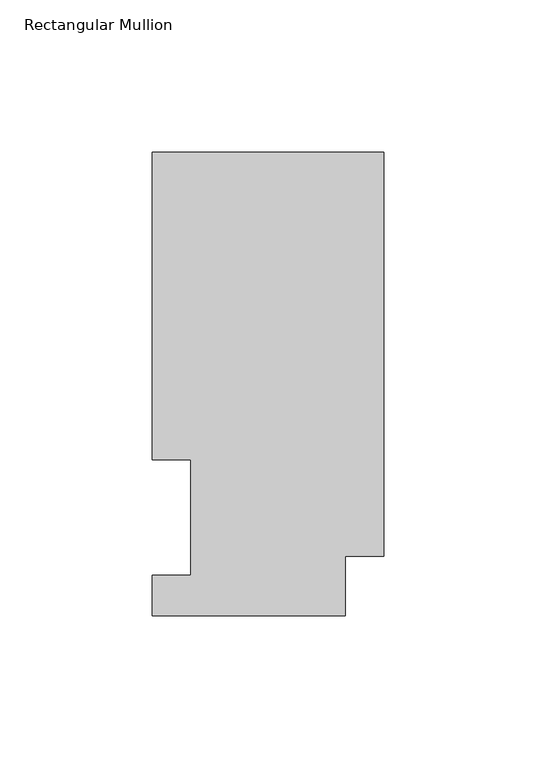
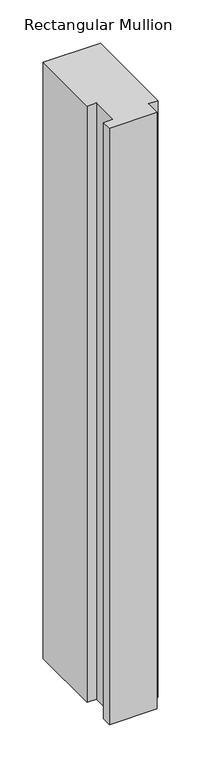
"""IFC4 building model written with IfcOpenShell, lengths in millimetres: member geometry, Rectangular Mullion."""

from ifc_helpers import new_model, si_unit, frame, origin, place, context, project, spatial, polyline, outline, extrude, source, transform, mapped, element, save


def rectangular_mullion_c90e2604(model_context):
    return source(origin(), model_context, "Body", "SweptSolid", [
        extrude(outline(polyline([(0.0, 152.4896937), (0.0, 19.5460937), (-12.7, 19.5460937), (-12.7, 0.0134938), (-76.2, 0.0134938), (-76.2, 13.1960938), (-63.5, 13.1960938), (-63.5, 51.2960937), (-76.2, 51.2960937), (-76.2, 152.4896937), (0.0, 152.4896937)])), frame((0.0, 0.0, -838.1999996), z_axis=(0.0, 0.0, 1.0), x_axis=(1.0, 0.0, 0.0)), (0.0, 0.0, 1.0), 838.1999996),
    ])


if __name__ == "__main__":
    model = new_model("IFC4")
    model_context = context("Model", 3, world=origin())
    ifc_project = project(units=[si_unit("LENGTHUNIT", "METRE", prefix="MILLI")], contexts=[model_context])
    site = spatial("IfcSite", under=ifc_project)
    building = spatial("IfcBuilding", under=site)
    placement = place(None, origin())
    rectangular_mullion_shape = rectangular_mullion_c90e2604(model_context)
    element("IfcMember", 1, ObjectType="Rectangular Mullion", at=placement, inside=building, context=model_context, shape_type="MappedRepresentation", body=[
        mapped(rectangular_mullion_shape, transform((0.0, 0.0, 0.0), x_axis=(1.0, 0.0, 0.0), y_axis=(0.0, 1.0, 0.0), z_axis=(0.0, 0.0, 1.0))),
    ])
    save(model, "model.ifc")
